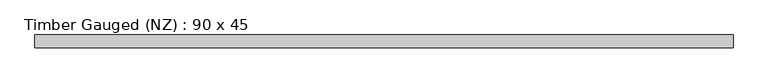
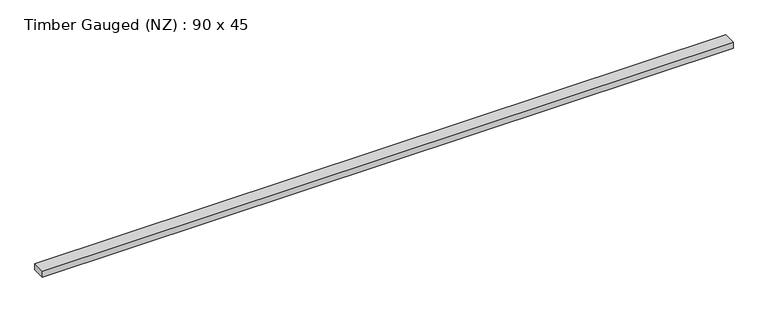
"""IFC4 building model written with IfcOpenShell, lengths in millimetres: beam geometry, Timber Gauged (NZ) : 90 x 45."""

from ifc_helpers import new_model, si_unit, frame, origin, place, context, project, spatial, polyline, outline, extrude, source, transform, mapped, element, save


def timber_gauged_nz_90_x_45_6bfb840d(model_context):
    return source(origin(), model_context, "Body", "SweptSolid", [
        extrude(outline(polyline([(2425.0, 45.0), (2425.0, -45.0), (-2425.0, -45.0), (-2425.0, 45.0), (2425.0, 45.0)])), frame((0.0, 0.0, -22.5), z_axis=(0.0, 0.0, 1.0), x_axis=(1.0, 0.0, 0.0)), (0.0, 0.0, 1.0), 45.0),
    ])


if __name__ == "__main__":
    model = new_model("IFC4")
    model_context = context("Model", 3, world=origin())
    ifc_project = project(units=[si_unit("LENGTHUNIT", "METRE", prefix="MILLI")], contexts=[model_context])
    site = spatial("IfcSite", under=ifc_project)
    building = spatial("IfcBuilding", under=site)
    placement = place(None, origin())
    timber_gauged_nz_90_x_45_shape = timber_gauged_nz_90_x_45_6bfb840d(model_context)
    element("IfcBeam", 1, ObjectType="Timber Gauged (NZ) : 90 x 45", at=placement, inside=building, context=model_context, shape_type="MappedRepresentation", body=[
        mapped(timber_gauged_nz_90_x_45_shape, transform((0.0, 0.0, 0.0), x_axis=(1.0, 0.0, 0.0), y_axis=(0.0, 1.0, 0.0), z_axis=(0.0, 0.0, 1.0))),
    ])
    save(model, "model.ifc")
